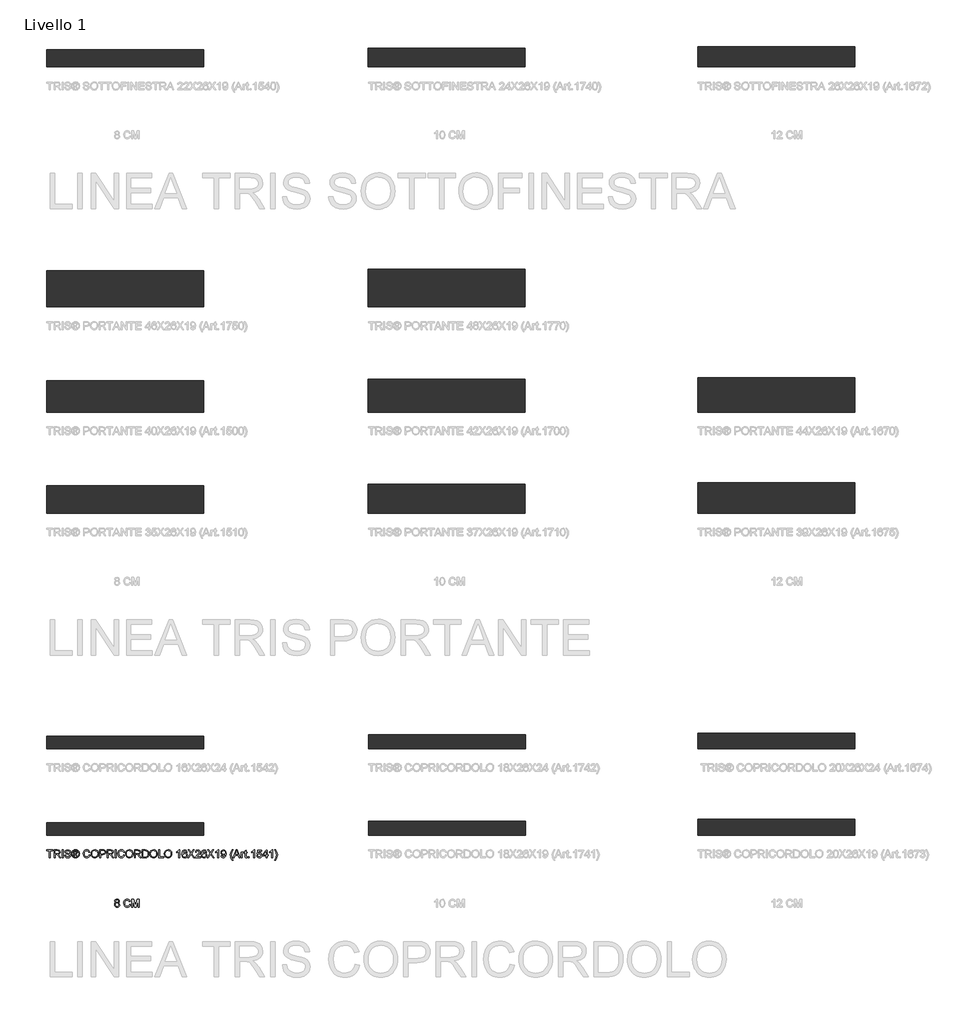
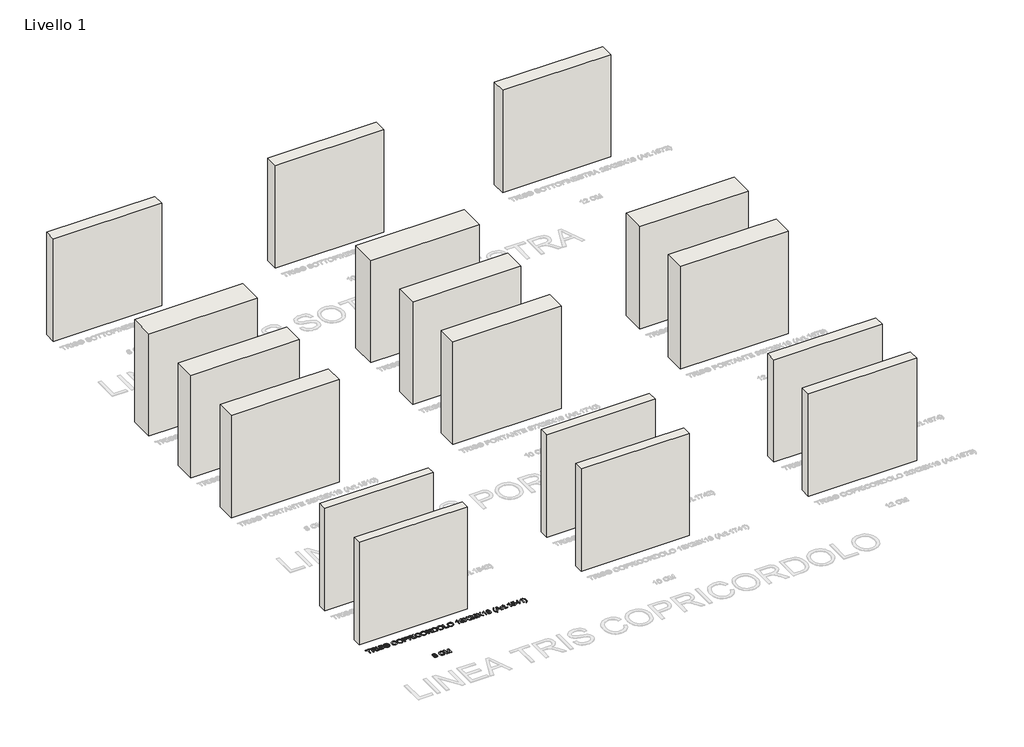
# One storey, part 1 of 19: 17 walls, 2 proxies.
"""IFC4 building model written with IfcOpenShell, lengths in millimetres."""

from ifc_helpers import new_model, si_unit, origin, origin_with_axes, place, context, project, spatial, polyline, outline, extrude, element, save

model = new_model("IFC4")

# Units and contexts
model_context = context("Model", 3, world=origin())
ifc_project = project(units=[si_unit("LENGTHUNIT", "METRE", prefix="MILLI")], contexts=[model_context])

# Site, building, storey
site = spatial("IfcSite", under=ifc_project)
building = spatial("IfcBuilding", under=site)
storey = spatial("IfcBuildingStorey", under=building, Name="Livello 1", Elevation=0.0)

# Proxies
placement = place(None, origin())
element("IfcBuildingElementProxy", 1, Name="100", ObjectType="100", at=placement, inside=storey, context=model_context, shape_type="SweptSolid", body=[
    extrude(outline(polyline([(-4352.3719199, -4728.6054125), (-4363.8130499, -4720.8063142), (-4367.5286581, -4708.6662084), (-4365.5053071, -4698.8498905), (-4359.4352542, -4690.7380925), (-4349.999081, -4685.293439), (-4337.8773693, -4683.4785545), (-4325.6820811, -4685.3363585), (-4316.1232806, -4690.9097708), (-4309.9428631, -4699.1503275), (-4307.8827239, -4709.0095649), (-4311.5492811, -4720.8431024), (-4322.6715801, -4728.6054125), (-4309.3174637, -4738.4523873), (-4304.7434642, -4754.7005087), (-4307.0120699, -4766.7057245), (-4313.8178868, -4776.6262756), (-4324.3270491, -4783.2849398), (-4337.705691, -4785.5044945), (-4351.0843329, -4783.2757427), (-4361.5934952, -4776.5894874), (-4368.3993121, -4766.5739001), (-4370.6679178, -4754.3571522), (-4365.9099773, -4737.728886), (-4352.3719199, -4728.6054125)]), holes=[polyline([(-4358.110879, -4753.9156938), (-4356.0139516, -4763.3702611), (-4348.5949981, -4770.4458581), (-4337.6075891, -4772.9474557), (-4329.0604641, -4771.6322776), (-4322.6470547, -4767.6867432), (-4317.300503, -4754.3081013), (-4322.8187329, -4740.671942), (-4329.3792952, -4736.62524), (-4338.0245221, -4735.2763394), (-4346.4520854, -4736.6068459), (-4352.8011155, -4740.5983656), (-4358.110879, -4753.9156938)]), polyline([(-4354.9716193, -4709.0340904), (-4350.5202472, -4718.8933279), (-4337.5585382, -4722.7193006), (-4324.8543466, -4718.9178533), (-4320.4397627, -4709.5981761), (-4325.0014994, -4699.9474051), (-4337.705691, -4696.0355932), (-4350.4466708, -4699.861566), (-4354.9716193, -4709.0340904)])]), origin_with_axes(), (0.0, 0.0, 1.0), 5.0),
    extrude(outline(polyline([(-4179.1730765, -4748.2257856), (-4166.6160378, -4751.4631472), (-4172.4101792, -4766.0956535), (-4181.5029958, -4776.7856912), (-4193.446898, -4783.3247936), (-4207.7942958, -4785.5044945), (-4222.3593571, -4783.8551568), (-4233.9261802, -4778.907144), (-4242.7921362, -4770.8321342), (-4249.2545966, -4759.8018057), (-4254.5153092, -4732.9464201), (-4253.0284528, -4718.2985853), (-4248.5678836, -4705.649576), (-4241.3665935, -4695.4009968), (-4231.6575745, -4687.9544521), (-4220.1428681, -4683.4203065), (-4207.5245156, -4681.9089246), (-4193.756532, -4683.8648306), (-4182.3736499, -4689.7325484), (-4173.7314887, -4699.1503275), (-4168.1856676, -4711.7564172), (-4180.7427064, -4714.7485241), (-4191.0434023, -4699.309743), (-4208.015025, -4694.4659634), (-4227.6599235, -4699.8370405), (-4238.757697, -4714.2580147), (-4241.9582704, -4732.9218946), (-4238.1690858, -4754.5533559), (-4226.3723365, -4768.3734562), (-4209.0450946, -4772.9474557), (-4198.5635234, -4771.3900886), (-4189.8293917, -4766.7179872), (-4183.2351069, -4758.9802026), (-4179.1730765, -4748.2257856)])), origin_with_axes(), (0.0, 0.0, 1.0), 5.0),
    extrude(outline(polyline([(-4149.3501095, -4783.9348646), (-4149.3501095, -4683.4785545), (-4127.7431736, -4683.4785545), (-4107.1908328, -4754.2835758), (-4103.046029, -4769.072432), (-4098.5578687, -4753.0573025), (-4078.3488844, -4683.4785545), (-4056.7419485, -4683.4785545), (-4056.7419485, -4783.9348646), (-4069.2989873, -4783.9348646), (-4069.2989873, -4696.0355932), (-4094.5356922, -4783.9348646), (-4111.5563658, -4783.9348646), (-4136.7930707, -4696.0355932), (-4136.7930707, -4783.9348646), (-4149.3501095, -4783.9348646)])), origin_with_axes(), (0.0, 0.0, 1.0), 5.0),
])
element("IfcBuildingElementProxy", 2, Name="100", ObjectType="100", at=placement, inside=storey, context=model_context, shape_type="SweptSolid", body=[
    extrude(outline(polyline([(-5200.6104208, -4156.1057849), (-5200.6104208, -4068.2065135), (-5233.5726476, -4068.2065135), (-5233.5726476, -4055.6494748), (-5155.0911553, -4055.6494748), (-5155.0911553, -4068.2065135), (-5188.053382, -4068.2065135), (-5188.053382, -4156.1057849), (-5200.6104208, -4156.1057849)])), origin_with_axes(), (0.0, 0.0, 1.0), 5.0),
    extrude(outline(polyline([(-5140.9644866, -4156.1057849), (-5140.9644866, -4055.6494748), (-5097.6770385, -4055.6494748), (-5077.5784189, -4058.3595388), (-5066.59101, -4067.9489961), (-5062.4829943, -4083.1425225), (-5064.1844486, -4093.0385482), (-5069.2888112, -4101.2423167), (-5077.9493666, -4107.2571873), (-5090.3193986, -4110.5865194), (-5083.1824879, -4115.9575965), (-5073.0044194, -4128.8825173), (-5056.2535259, -4156.1057849), (-5070.8461784, -4156.1057849), (-5083.9182519, -4135.283664), (-5093.3605565, -4121.5003519), (-5099.9946951, -4114.9888406), (-5105.9666462, -4112.5976076), (-5113.2507097, -4112.1561492), (-5128.4074479, -4112.1561492), (-5128.4074479, -4156.1057849), (-5140.9644866, -4156.1057849)]), holes=[polyline([(-5128.4074479, -4099.5991105), (-5100.3012634, -4099.5991105), (-5085.9661284, -4097.8210142), (-5077.8236735, -4092.131106), (-5075.0400331, -4083.6085064), (-5080.3497966, -4072.5475211), (-5097.1374783, -4068.2065135), (-5128.4074479, -4068.2065135), (-5128.4074479, -4099.5991105)])]), origin_with_axes(), (0.0, 0.0, 1.0), 5.0),
    extrude(outline(polyline([(-5038.9385466, -4156.1057849), (-5038.9385466, -4055.6494748), (-5026.3815079, -4055.6494748), (-5026.3815079, -4156.1057849), (-5038.9385466, -4156.1057849)])), origin_with_axes(), (0.0, 0.0, 1.0), 5.0),
    extrude(outline(polyline([(-5005.9763199, -4121.5739283), (-4993.4192811, -4121.5739283), (-4989.3725792, -4134.1432298), (-4979.4888162, -4142.0894809), (-4964.4301799, -4145.118376), (-4951.3090554, -4142.8252449), (-4942.8355068, -4136.5222), (-4940.0518663, -4128.0977024), (-4942.136531, -4120.2618159), (-4950.6713933, -4114.5596449), (-4968.9551284, -4109.7649163), (-4988.6368152, -4103.572236), (-4999.3176558, -4094.2280333), (-5002.8370602, -4081.744571), (-4998.4837899, -4067.5320632), (-4985.7673356, -4057.5011475), (-4967.1525067, -4054.0798449), (-4947.2868789, -4057.660563), (-4934.0431271, -4068.1819881), (-4929.0644574, -4083.902812), (-4941.6214962, -4083.902812), (-4943.92689, -4076.410282), (-4948.7338814, -4071.0024167), (-4966.6619973, -4066.6368837), (-4984.6391642, -4070.9533658), (-4990.2800214, -4081.376689), (-4986.2823704, -4090.0832295), (-4965.7790805, -4097.0975129), (-4943.559008, -4103.4005578), (-4931.4066395, -4113.5786263), (-4927.4948276, -4127.7788713), (-4931.9952506, -4142.8007194), (-4944.9446969, -4153.7636029), (-4963.9396706, -4157.6754148), (-4986.3682095, -4153.4570346), (-5000.5561918, -4140.752843), (-5005.9763199, -4121.5739283)])), origin_with_axes(), (0.0, 0.0, 1.0), 5.0),
    extrude(outline(polyline([(-4891.3933411, -4137.2702268), (-4891.3933411, -4074.4850329), (-4871.1107804, -4074.4850329), (-4856.0521441, -4076.2140783), (-4848.6331905, -4082.247343), (-4845.8740756, -4091.4076047), (-4850.632016, -4103.3269814), (-4863.2381058, -4109.0168895), (-4858.3330125, -4112.352353), (-4849.7736247, -4124.8848663), (-4842.7348159, -4137.2702268), (-4853.3298173, -4137.2702268), (-4858.8480473, -4127.3128874), (-4868.0941481, -4112.8919132), (-4876.1139756, -4110.5865194), (-4881.975562, -4110.5865194), (-4881.975562, -4137.2702268), (-4891.3933411, -4137.2702268)]), holes=[polyline([(-4881.975562, -4101.1687403), (-4870.0561854, -4101.1687403), (-4858.4065889, -4098.7775073), (-4855.2918547, -4092.4376743), (-4856.7879081, -4087.8759376), (-4860.9449746, -4084.8838307), (-4870.8164749, -4083.902812), (-4881.975562, -4083.902812), (-4881.975562, -4101.1687403)])]), origin_with_axes(), (0.0, 0.0, 1.0), 5.0),
    extrude(outline(polyline([(-4867.824368, -4054.0798449), (-4854.930104, -4055.753708), (-4842.3424084, -4060.7752972), (-4831.2844888, -4068.9116207), (-4822.9795527, -4079.9296865), (-4817.7832196, -4092.6522721), (-4816.0511085, -4105.9021553), (-4817.7586941, -4119.0355425), (-4822.8814509, -4131.653895), (-4831.0852194, -4142.6321069), (-4842.0358401, -4150.8450724), (-4854.6449955, -4155.9678292), (-4867.824368, -4157.6754148), (-4880.9853463, -4155.9678292), (-4893.5883704, -4150.8450724), (-4904.5481881, -4142.6321069), (-4912.7795478, -4131.653895), (-4917.9298957, -4119.0355425), (-4919.6466783, -4105.9021553), (-4917.9053702, -4092.6522721), (-4912.6814459, -4079.9296865), (-4904.3489187, -4068.9116207), (-4893.281802, -4060.7752972), (-4880.7002378, -4055.753708), (-4867.824368, -4054.0798449)]), holes=[polyline([(-4867.824368, -4063.497624), (-4888.6464889, -4068.9790657), (-4897.6749262, -4075.6407955), (-4904.5022029, -4084.6631015), (-4910.2288993, -4105.9021553), (-4904.6125675, -4126.9572682), (-4888.8917435, -4142.6413039), (-4867.824368, -4148.2576357), (-4846.7447296, -4142.6413039), (-4831.0606939, -4126.9572682), (-4825.4688876, -4105.9021553), (-4831.1587958, -4084.6631015), (-4837.9676784, -4075.6407955), (-4847.0145098, -4068.9790657), (-4867.824368, -4063.497624)])]), origin_with_axes(), (0.0, 0.0, 1.0), 5.0),
    extrude(outline(polyline([(-4695.1896104, -4120.3967059), (-4682.6325716, -4123.6340675), (-4688.426713, -4138.2665738), (-4697.5195297, -4148.9566115), (-4709.4634318, -4155.495714), (-4723.8108296, -4157.6754148), (-4738.3758909, -4156.0260772), (-4749.942714, -4151.0780643), (-4758.8086701, -4143.0030545), (-4765.2711304, -4131.972726), (-4770.531843, -4105.1173404), (-4769.0449866, -4090.4695056), (-4764.5844174, -4077.8204964), (-4757.3831273, -4067.5719171), (-4747.6741083, -4060.1253724), (-4736.1594019, -4055.5912268), (-4723.5410494, -4054.0798449), (-4709.7730658, -4056.0357509), (-4698.3901837, -4061.9034687), (-4689.7480225, -4071.3212478), (-4684.2022014, -4083.9273375), (-4696.7592402, -4086.9194444), (-4707.0599361, -4071.4806633), (-4724.0315588, -4066.6368837), (-4743.6764573, -4072.0079608), (-4754.7742308, -4086.428935), (-4757.9748042, -4105.0928149), (-4754.1856196, -4126.7242762), (-4742.3888703, -4140.5443765), (-4725.0616284, -4145.118376), (-4714.5800572, -4143.5610089), (-4705.8459255, -4138.8889076), (-4699.2516407, -4131.1511229), (-4695.1896104, -4120.3967059)])), origin_with_axes(), (0.0, 0.0, 1.0), 5.0),
    extrude(outline(polyline([(-4670.0755328, -4107.202005), (-4666.7278067, -4084.9880639), (-4656.6846282, -4068.1819881), (-4641.3500804, -4057.6053807), (-4622.1282461, -4054.0798449), (-4608.9519393, -4055.7353139), (-4597.1367959, -4060.7017208), (-4587.3266094, -4068.6295778), (-4580.1651732, -4079.169397), (-4575.7873775, -4091.8122749), (-4574.3281122, -4106.0493081), (-4575.8640195, -4120.4764137), (-4580.4717415, -4133.2971012), (-4587.8968265, -4143.8553145), (-4597.8848226, -4151.4949973), (-4609.5987985, -4156.1303104), (-4622.2018225, -4157.6754148), (-4635.5804644, -4155.9678292), (-4647.4630528, -4150.8450724), (-4657.2487139, -4142.7700626), (-4664.3365737, -4132.205718), (-4670.0755328, -4107.202005)]), holes=[polyline([(-4657.518494, -4107.3246324), (-4655.0076994, -4123.0393249), (-4647.4753156, -4135.0138839), (-4636.1537472, -4142.592253), (-4622.2753989, -4145.118376), (-4608.1947155, -4142.5677275), (-4596.854753, -4134.915782), (-4589.3775515, -4122.5733411), (-4586.885151, -4105.9512062), (-4591.1525821, -4085.2271872), (-4603.6237818, -4071.5051888), (-4622.0546697, -4066.6368837), (-4635.5620703, -4068.9821314), (-4647.0461199, -4076.0178746), (-4654.9004005, -4088.5350595), (-4657.518494, -4107.3246324)])]), origin_with_axes(), (0.0, 0.0, 1.0), 5.0),
    extrude(outline(polyline([(-4557.0621839, -4156.1057849), (-4557.0621839, -4055.6494748), (-4519.832526, -4055.6494748), (-4504.8229406, -4056.605968), (-4492.6215211, -4061.3025948), (-4484.7120582, -4071.0146794), (-4481.7199513, -4084.7121524), (-4483.7402366, -4096.5518213), (-4489.8010924, -4106.4171901), (-4501.1349236, -4113.0758542), (-4518.9741347, -4115.2954089), (-4544.5051451, -4115.2954089), (-4544.5051451, -4156.1057849), (-4557.0621839, -4156.1057849)]), holes=[polyline([(-4544.5051451, -4102.7383702), (-4518.2383707, -4102.7383702), (-4499.7461691, -4098.1275825), (-4495.6442848, -4092.5786957), (-4494.2769901, -4085.1536108), (-4497.5020889, -4074.7548131), (-4505.9756375, -4069.0649049), (-4518.5326763, -4068.2065135), (-4544.5051451, -4068.2065135), (-4544.5051451, -4102.7383702)])]), origin_with_axes(), (0.0, 0.0, 1.0), 5.0),
    extrude(outline(polyline([(-4464.454023, -4156.1057849), (-4464.454023, -4055.6494748), (-4421.1665749, -4055.6494748), (-4401.0679552, -4058.3595388), (-4390.0805463, -4067.9489961), (-4385.9725307, -4083.1425225), (-4387.6739849, -4093.0385482), (-4392.7783476, -4101.2423167), (-4401.4389029, -4107.2571873), (-4413.808935, -4110.5865194), (-4406.6720243, -4115.9575965), (-4396.4939557, -4128.8825173), (-4379.7430622, -4156.1057849), (-4394.3357147, -4156.1057849), (-4407.4077883, -4135.283664), (-4416.8500928, -4121.5003519), (-4423.4842314, -4114.9888406), (-4429.4561825, -4112.5976076), (-4436.740246, -4112.1561492), (-4451.8969842, -4112.1561492), (-4451.8969842, -4156.1057849), (-4464.454023, -4156.1057849)]), holes=[polyline([(-4451.8969842, -4099.5991105), (-4423.7907998, -4099.5991105), (-4409.4556647, -4097.8210142), (-4401.3132099, -4092.131106), (-4398.5295694, -4083.6085064), (-4403.8393329, -4072.5475211), (-4420.6270146, -4068.2065135), (-4451.8969842, -4068.2065135), (-4451.8969842, -4099.5991105)])]), origin_with_axes(), (0.0, 0.0, 1.0), 5.0),
    extrude(outline(polyline([(-4362.428083, -4156.1057849), (-4362.428083, -4055.6494748), (-4349.8710442, -4055.6494748), (-4349.8710442, -4156.1057849), (-4362.428083, -4156.1057849)])), origin_with_axes(), (0.0, 0.0, 1.0), 5.0),
    extrude(outline(polyline([(-4254.1236236, -4120.3967059), (-4241.5665848, -4123.6340675), (-4247.3607263, -4138.2665738), (-4256.4535429, -4148.9566115), (-4268.397445, -4155.495714), (-4282.7448428, -4157.6754148), (-4297.3099042, -4156.0260772), (-4308.8767272, -4151.0780643), (-4317.7426833, -4143.0030545), (-4324.2051437, -4131.972726), (-4329.4658562, -4105.1173404), (-4327.9789998, -4090.4695056), (-4323.5184306, -4077.8204964), (-4316.3171406, -4067.5719171), (-4306.6081216, -4060.1253724), (-4295.0934151, -4055.5912268), (-4282.4750627, -4054.0798449), (-4268.707079, -4056.0357509), (-4257.324197, -4061.9034687), (-4248.6820358, -4071.3212478), (-4243.1362147, -4083.9273375), (-4255.6932534, -4086.9194444), (-4265.9939493, -4071.4806633), (-4282.965572, -4066.6368837), (-4302.6104706, -4072.0079608), (-4313.7082441, -4086.428935), (-4316.9088174, -4105.0928149), (-4313.1196329, -4126.7242762), (-4301.3228836, -4140.5443765), (-4283.9956416, -4145.118376), (-4273.5140704, -4143.5610089), (-4264.7799387, -4138.8889076), (-4258.185654, -4131.1511229), (-4254.1236236, -4120.3967059)])), origin_with_axes(), (0.0, 0.0, 1.0), 5.0),
    extrude(outline(polyline([(-4229.0095461, -4107.202005), (-4225.6618199, -4084.9880639), (-4215.6186414, -4068.1819881), (-4200.2840936, -4057.6053807), (-4181.0622594, -4054.0798449), (-4167.8859526, -4055.7353139), (-4156.0708092, -4060.7017208), (-4146.2606226, -4068.6295778), (-4139.0991864, -4079.169397), (-4134.7213907, -4091.8122749), (-4133.2621255, -4106.0493081), (-4134.7980328, -4120.4764137), (-4139.4057548, -4133.2971012), (-4146.8308397, -4143.8553145), (-4156.8188359, -4151.4949973), (-4168.5328117, -4156.1303104), (-4181.1358358, -4157.6754148), (-4194.5144777, -4155.9678292), (-4206.3970661, -4150.8450724), (-4216.1827272, -4142.7700626), (-4223.2705869, -4132.205718), (-4229.0095461, -4107.202005)]), holes=[polyline([(-4216.4525073, -4107.3246324), (-4213.9417127, -4123.0393249), (-4206.4093288, -4135.0138839), (-4195.0877604, -4142.592253), (-4181.2094122, -4145.118376), (-4167.1287288, -4142.5677275), (-4155.7887663, -4134.915782), (-4148.3115647, -4122.5733411), (-4145.8191642, -4105.9512062), (-4150.0865954, -4085.2271872), (-4162.557795, -4071.5051888), (-4180.988683, -4066.6368837), (-4194.4960836, -4068.9821314), (-4205.9801332, -4076.0178746), (-4213.8344138, -4088.5350595), (-4216.4525073, -4107.3246324)])]), origin_with_axes(), (0.0, 0.0, 1.0), 5.0),
    extrude(outline(polyline([(-4115.9961971, -4156.1057849), (-4115.9961971, -4055.6494748), (-4072.708749, -4055.6494748), (-4052.6101294, -4058.3595388), (-4041.6227205, -4067.9489961), (-4037.5147048, -4083.1425225), (-4039.2161591, -4093.0385482), (-4044.3205218, -4101.2423167), (-4052.9810771, -4107.2571873), (-4065.3511091, -4110.5865194), (-4058.2141984, -4115.9575965), (-4048.0361299, -4128.8825173), (-4031.2852364, -4156.1057849), (-4045.8778889, -4156.1057849), (-4058.9499624, -4135.283664), (-4068.392267, -4121.5003519), (-4075.0264056, -4114.9888406), (-4080.9983567, -4112.5976076), (-4088.2824202, -4112.1561492), (-4103.4391584, -4112.1561492), (-4103.4391584, -4156.1057849), (-4115.9961971, -4156.1057849)]), holes=[polyline([(-4103.4391584, -4099.5991105), (-4075.3329739, -4099.5991105), (-4060.9978389, -4097.8210142), (-4052.855384, -4092.131106), (-4050.0717436, -4083.6085064), (-4055.3815071, -4072.5475211), (-4072.1691888, -4068.2065135), (-4103.4391584, -4068.2065135), (-4103.4391584, -4099.5991105)])]), origin_with_axes(), (0.0, 0.0, 1.0), 5.0),
    extrude(outline(polyline([(-4015.539887, -4156.1057849), (-4015.539887, -4055.6494748), (-3980.8854031, -4055.6494748), (-3962.9572872, -4057.0964773), (-3948.1929564, -4064.2824389), (-3936.2981052, -4081.4502654), (-3932.3495052, -4105.3380696), (-3935.022781, -4125.6083675), (-3941.8899116, -4140.2378082), (-3951.062436, -4149.3490189), (-3963.0676518, -4154.3890023), (-3979.2176713, -4156.1057849), (-4015.539887, -4156.1057849)]), holes=[polyline([(-4002.9828482, -4143.5487462), (-3980.7627757, -4143.5487462), (-3964.6004934, -4141.7338616), (-3955.2808162, -4136.6080392), (-3947.6411334, -4124.1368395), (-3944.9065439, -4105.1418659), (-3946.2462475, -4091.4566556), (-3950.2653583, -4081.3521635), (-3963.3006437, -4070.2176018), (-3981.1061322, -4068.2065135), (-4002.9828482, -4068.2065135), (-4002.9828482, -4143.5487462)])]), origin_with_axes(), (0.0, 0.0, 1.0), 5.0),
    extrude(outline(polyline([(-3919.7924664, -4107.202005), (-3916.4447402, -4084.9880639), (-3906.4015618, -4068.1819881), (-3891.0670139, -4057.6053807), (-3871.8451797, -4054.0798449), (-3858.6688729, -4055.7353139), (-3846.8537295, -4060.7017208), (-3837.0435429, -4068.6295778), (-3829.8821068, -4079.169397), (-3825.504311, -4091.8122749), (-3824.0450458, -4106.0493081), (-3825.5809531, -4120.4764137), (-3830.1886751, -4133.2971012), (-3837.61376, -4143.8553145), (-3847.6017562, -4151.4949973), (-3859.3157321, -4156.1303104), (-3871.9187561, -4157.6754148), (-3885.297398, -4155.9678292), (-3897.1799864, -4150.8450724), (-3906.9656475, -4142.7700626), (-3914.0535073, -4132.205718), (-3919.7924664, -4107.202005)]), holes=[polyline([(-3907.2354276, -4107.3246324), (-3904.724633, -4123.0393249), (-3897.1922491, -4135.0138839), (-3885.8706807, -4142.592253), (-3871.9923325, -4145.118376), (-3857.9116491, -4142.5677275), (-3846.5716866, -4134.915782), (-3839.0944851, -4122.5733411), (-3836.6020845, -4105.9512062), (-3840.8695157, -4085.2271872), (-3853.3407153, -4071.5051888), (-3871.7716033, -4066.6368837), (-3885.2790039, -4068.9821314), (-3896.7630535, -4076.0178746), (-3904.6173341, -4088.5350595), (-3907.2354276, -4107.3246324)])]), origin_with_axes(), (0.0, 0.0, 1.0), 5.0),
    extrude(outline(polyline([(-3806.7791175, -4156.1057849), (-3806.7791175, -4055.6494748), (-3794.2220787, -4055.6494748), (-3794.2220787, -4143.5487462), (-3743.9939236, -4143.5487462), (-3743.9939236, -4156.1057849), (-3806.7791175, -4156.1057849)])), origin_with_axes(), (0.0, 0.0, 1.0), 5.0),
    extrude(outline(polyline([(-3734.5761445, -4107.202005), (-3731.2284184, -4084.9880639), (-3721.1852399, -4068.1819881), (-3705.8506921, -4057.6053807), (-3686.6288578, -4054.0798449), (-3673.4525511, -4055.7353139), (-3661.6374076, -4060.7017208), (-3651.8272211, -4068.6295778), (-3644.6657849, -4079.169397), (-3640.2879892, -4091.8122749), (-3638.8287239, -4106.0493081), (-3640.3646313, -4120.4764137), (-3644.9723533, -4133.2971012), (-3652.3974382, -4143.8553145), (-3662.3854344, -4151.4949973), (-3674.0994102, -4156.1303104), (-3686.7024342, -4157.6754148), (-3700.0810761, -4155.9678292), (-3711.9636646, -4150.8450724), (-3721.7493257, -4142.7700626), (-3728.8371854, -4132.205718), (-3734.5761445, -4107.202005)]), holes=[polyline([(-3722.0191058, -4107.3246324), (-3719.5083112, -4123.0393249), (-3711.9759273, -4135.0138839), (-3700.6543589, -4142.592253), (-3686.7760106, -4145.118376), (-3672.6953273, -4142.5677275), (-3661.3553648, -4134.915782), (-3653.8781632, -4122.5733411), (-3651.3857627, -4105.9512062), (-3655.6531939, -4085.2271872), (-3668.1243935, -4071.5051888), (-3686.5552814, -4066.6368837), (-3700.062682, -4068.9821314), (-3711.5467317, -4076.0178746), (-3719.4010122, -4088.5350595), (-3722.0191058, -4107.3246324)])]), origin_with_axes(), (0.0, 0.0, 1.0), 5.0),
    extrude(outline(polyline([(-3539.9420436, -4156.1057849), (-3552.4990824, -4156.1057849), (-3552.4990824, -4077.8204964), (-3564.3939336, -4086.294045), (-3577.6131599, -4092.633878), (-3577.6131599, -4080.7635523), (-3559.2067974, -4069.0158539), (-3548.0354475, -4055.6494748), (-3539.9420436, -4055.6494748), (-3539.9420436, -4156.1057849)])), origin_with_axes(), (0.0, 0.0, 1.0), 5.0),
    extrude(outline(polyline([(-3445.7642529, -4082.3331822), (-3458.3212916, -4083.902812), (-3463.0792321, -4073.4304379), (-3475.6607963, -4068.2065135), (-3486.9915618, -4071.2476714), (-3495.5632123, -4082.664276), (-3499.1316676, -4105.043764), (-3488.0584196, -4095.025111), (-3474.3364212, -4091.7509612), (-3462.7358756, -4093.98891), (-3452.9992654, -4100.7027565), (-3446.3957836, -4110.9605328), (-3444.194623, -4123.8302712), (-3448.3394268, -4141.1575132), (-3459.7437687, -4153.4202464), (-3476.2003566, -4157.6754148), (-3490.4465869, -4154.8549861), (-3501.7926807, -4146.3937003), (-3509.2147, -4131.4576912), (-3511.6887064, -4109.2130933), (-3508.9418542, -4084.203249), (-3500.7012975, -4067.1028676), (-3489.4502398, -4058.512823), (-3474.8759814, -4055.6494748), (-3463.8579157, -4057.4214397), (-3455.0348791, -4062.7373345), (-3448.8544616, -4071.1802263), (-3445.7642529, -4082.3331822)]), holes=[polyline([(-3499.1316676, -4123.6340675), (-3496.2253999, -4134.5111118), (-3488.499878, -4142.408312), (-3477.1813753, -4145.118376), (-3468.8948333, -4143.7142931), (-3462.3802563, -4139.5020442), (-3458.1588104, -4132.8801683), (-3456.7516618, -4124.2472041), (-3458.1404163, -4115.9606622), (-3462.3066799, -4109.6422889), (-3468.9316215, -4105.6415722), (-3477.69641, -4104.308), (-3492.8899365, -4109.6422889), (-3497.5712348, -4115.807378), (-3499.1316676, -4123.6340675)])]), origin_with_axes(), (0.0, 0.0, 1.0), 5.0),
    extrude(outline(polyline([(-3439.4857335, -4156.1057849), (-3400.7600221, -4101.364944), (-3433.2072141, -4055.6494748), (-3418.1485778, -4055.6494748), (-3399.8771053, -4081.376689), (-3393.7212133, -4091.4076047), (-3386.5107262, -4081.2050107), (-3368.4354575, -4055.6494748), (-3353.1560919, -4055.6494748), (-3385.6032839, -4101.5120968), (-3346.8775726, -4156.1057849), (-3361.9362089, -4156.1057849), (-3387.7369995, -4119.7099929), (-3393.1080766, -4112.1561492), (-3399.018714, -4120.4457569), (-3424.206368, -4156.1057849), (-3439.4857335, -4156.1057849)])), origin_with_axes(), (0.0, 0.0, 1.0), 5.0),
    extrude(outline(polyline([(-3274.6745996, -4143.5487462), (-3274.6745996, -4156.1057849), (-3340.5990532, -4156.1057849), (-3339.2501525, -4147.4482953), (-3331.6227325, -4134.1187043), (-3315.9019086, -4119.5628401), (-3294.2213963, -4098.6426173), (-3288.8012683, -4084.4178468), (-3293.914828, -4072.9031403), (-3307.2689444, -4068.2065135), (-3321.1871466, -4072.7927758), (-3326.4723846, -4085.4724419), (-3339.0294233, -4083.902812), (-3335.9851998, -4071.7565748), (-3329.4031778, -4062.8844873), (-3319.6267138, -4057.4582279), (-3306.9991643, -4055.6494748), (-3294.2796443, -4057.660563), (-3284.5215744, -4063.6938277), (-3278.3135657, -4072.7069366), (-3276.2442295, -4083.6575573), (-3278.4760469, -4095.5646713), (-3285.8950005, -4107.8764554), (-3303.8844301, -4125.08107), (-3318.3299297, -4137.1598622), (-3323.9953125, -4143.5487462), (-3274.6745996, -4143.5487462)])), origin_with_axes(), (0.0, 0.0, 1.0), 5.0),
    extrude(outline(polyline([(-3197.7627372, -4082.3331822), (-3210.319776, -4083.902812), (-3215.0777164, -4073.4304379), (-3227.6592807, -4068.2065135), (-3238.9900461, -4071.2476714), (-3247.5616966, -4082.664276), (-3251.130152, -4105.043764), (-3240.0569039, -4095.025111), (-3226.3349055, -4091.7509612), (-3214.7343599, -4093.98891), (-3204.9977498, -4100.7027565), (-3198.3942679, -4110.9605328), (-3196.1931073, -4123.8302712), (-3200.3379112, -4141.1575132), (-3211.742253, -4153.4202464), (-3228.1988409, -4157.6754148), (-3242.4450712, -4154.8549861), (-3253.7911651, -4146.3937003), (-3261.2131843, -4131.4576912), (-3263.6871907, -4109.2130933), (-3260.9403385, -4084.203249), (-3252.6997818, -4067.1028676), (-3241.4487241, -4058.512823), (-3226.8744657, -4055.6494748), (-3215.8564, -4057.4214397), (-3207.0333635, -4062.7373345), (-3200.8529459, -4071.1802263), (-3197.7627372, -4082.3331822)]), holes=[polyline([(-3251.130152, -4123.6340675), (-3248.2238842, -4134.5111118), (-3240.4983623, -4142.408312), (-3229.1798596, -4145.118376), (-3220.8933176, -4143.7142931), (-3214.3787406, -4139.5020442), (-3210.1572947, -4132.8801683), (-3208.7501461, -4124.2472041), (-3210.1389006, -4115.9606622), (-3214.3051642, -4109.6422889), (-3220.9301058, -4105.6415722), (-3229.6948944, -4104.308), (-3244.8884208, -4109.6422889), (-3249.5697192, -4115.807378), (-3251.130152, -4123.6340675)])]), origin_with_axes(), (0.0, 0.0, 1.0), 5.0),
    extrude(outline(polyline([(-3191.4842178, -4156.1057849), (-3152.7585064, -4101.364944), (-3185.2056984, -4055.6494748), (-3170.1470621, -4055.6494748), (-3151.8755897, -4081.376689), (-3145.7196976, -4091.4076047), (-3138.5092105, -4081.2050107), (-3120.4339418, -4055.6494748), (-3105.1545763, -4055.6494748), (-3137.6017682, -4101.5120968), (-3098.8760569, -4156.1057849), (-3113.9346932, -4156.1057849), (-3139.7354838, -4119.7099929), (-3145.1065609, -4112.1561492), (-3151.0171983, -4120.4457569), (-3176.2048523, -4156.1057849), (-3191.4842178, -4156.1057849)])), origin_with_axes(), (0.0, 0.0, 1.0), 5.0),
    extrude(outline(polyline([(-3043.9390123, -4156.1057849), (-3056.496051, -4156.1057849), (-3056.496051, -4077.8204964), (-3068.3909022, -4086.294045), (-3081.6101286, -4092.633878), (-3081.6101286, -4080.7635523), (-3063.2037661, -4069.0158539), (-3052.0324162, -4055.6494748), (-3043.9390123, -4055.6494748), (-3043.9390123, -4156.1057849)])), origin_with_axes(), (0.0, 0.0, 1.0), 5.0),
    extrude(outline(polyline([(-3012.5464153, -4130.9917074), (-2999.9893766, -4129.4220775), (-2994.3485193, -4141.4027679), (-2983.655416, -4145.118376), (-2973.4896102, -4142.727143), (-2966.5979542, -4136.3382591), (-2962.4899385, -4125.4244265), (-2960.675054, -4110.8562995), (-2960.7486304, -4108.4037529), (-2970.7918089, -4117.9196338), (-2984.5628582, -4121.5739283), (-2996.0131853, -4119.3421109), (-3005.5443947, -4112.6466586), (-3011.9731326, -4102.3030431), (-3014.1160452, -4089.1267363), (-3011.8688993, -4075.5151025), (-3005.1274618, -4064.8465247), (-2995.0015099, -4057.9487372), (-2982.6008209, -4055.6494748), (-2964.7094932, -4060.8979246), (-2952.3977091, -4075.858459), (-2948.1915917, -4103.9646435), (-2952.3854464, -4134.4620609), (-2957.6001737, -4144.4531227), (-2964.856646, -4151.7402519), (-2973.8421638, -4156.1916241), (-2984.2440272, -4157.6754148), (-2994.9800501, -4155.9249096), (-3003.5455692, -4150.6733941), (-3009.5359144, -4142.2519621), (-3012.5464153, -4130.9917074)]), holes=[polyline([(-2960.7486304, -4088.8324307), (-2962.1036624, -4080.3220939), (-2966.1687585, -4073.7737944), (-2972.4779347, -4069.5983338), (-2980.5652072, -4068.2065135), (-2988.9529167, -4069.7056327), (-2995.6728945, -4074.2029901), (-3000.0874784, -4081.0854491), (-3001.5590064, -4089.739873), (-3000.1671862, -4097.4991174), (-2995.9917256, -4103.6580751), (-2989.4372947, -4107.6771859), (-2980.9085638, -4109.0168895), (-2966.4262759, -4103.6580751), (-2962.1680418, -4097.2722568), (-2960.7486304, -4088.8324307)])]), origin_with_axes(), (0.0, 0.0, 1.0), 5.0),
    extrude(outline(polyline([(-2869.7100994, -4184.3591222), (-2887.5401134, -4154.9040371), (-2893.003161, -4137.7239479), (-2894.8241769, -4119.9307221), (-2889.3795234, -4089.3965165), (-2869.7100994, -4055.6494748), (-2860.2923203, -4055.6494748), (-2872.0400187, -4075.539628), (-2879.103353, -4094.8166445), (-2882.2671381, -4120.0042985), (-2876.7734337, -4152.193973), (-2860.2923203, -4184.3591222), (-2869.7100994, -4184.3591222)])), origin_with_axes(), (0.0, 0.0, 1.0), 5.0),
    extrude(outline(polyline([(-2857.8642991, -4156.1057849), (-2817.7651616, -4055.6494748), (-2807.0720583, -4055.6494748), (-2766.9729208, -4156.1057849), (-2780.2411981, -4156.1057849), (-2791.7436418, -4124.713188), (-2833.1181036, -4124.713188), (-2844.5960218, -4156.1057849), (-2857.8642991, -4156.1057849)]), holes=[polyline([(-2828.5073159, -4112.1561492), (-2796.329904, -4112.1561492), (-2805.3798011, -4087.4590046), (-2812.41861, -4068.2065135), (-2818.6726039, -4085.3007636), (-2828.5073159, -4112.1561492)])]), origin_with_axes(), (0.0, 0.0, 1.0), 5.0),
    extrude(outline(polyline([(-2755.1271206, -4156.1057849), (-2755.1271206, -4082.3331822), (-2744.1397117, -4082.3331822), (-2744.1397117, -4093.2470147), (-2736.3406134, -4083.1915735), (-2728.4924641, -4080.7635523), (-2715.8863744, -4084.638576), (-2720.0802292, -4095.895765), (-2728.9093971, -4093.3205911), (-2736.0095196, -4095.7976632), (-2740.5344681, -4102.6647938), (-2742.5700818, -4117.3310226), (-2742.5700818, -4156.1057849), (-2755.1271206, -4156.1057849)])), origin_with_axes(), (0.0, 0.0, 1.0), 5.0),
    extrude(outline(polyline([(-2681.3545178, -4145.6334108), (-2679.784888, -4156.4736669), (-2689.1781416, -4157.6754148), (-2699.6995666, -4155.5907501), (-2704.9480164, -4150.1215711), (-2706.4685954, -4135.8722752), (-2706.4685954, -4094.8902209), (-2715.8863744, -4094.8902209), (-2715.8863744, -4082.3331822), (-2706.4685954, -4082.3331822), (-2706.4685954, -4064.4050663), (-2693.9115566, -4057.0229009), (-2693.9115566, -4082.3331822), (-2681.3545178, -4082.3331822), (-2681.3545178, -4094.8902209), (-2693.9115566, -4094.8902209), (-2693.9115566, -4135.5043932), (-2693.249369, -4141.9791163), (-2691.1033907, -4144.2722474), (-2686.8236968, -4145.118376), (-2681.3545178, -4145.6334108)])), origin_with_axes(), (0.0, 0.0, 1.0), 5.0),
    extrude(outline(polyline([(-2665.6582194, -4156.1057849), (-2665.6582194, -4143.5487462), (-2653.1011806, -4143.5487462), (-2653.1011806, -4156.1057849), (-2665.6582194, -4156.1057849)])), origin_with_axes(), (0.0, 0.0, 1.0), 5.0),
    extrude(outline(polyline([(-2585.6070972, -4156.1057849), (-2598.164136, -4156.1057849), (-2598.164136, -4077.8204964), (-2610.0589872, -4086.294045), (-2623.2782135, -4092.633878), (-2623.2782135, -4080.7635523), (-2604.871851, -4069.0158539), (-2593.7005011, -4055.6494748), (-2585.6070972, -4055.6494748), (-2585.6070972, -4156.1057849)])), origin_with_axes(), (0.0, 0.0, 1.0), 5.0),
    extrude(outline(polyline([(-2555.7841301, -4129.4220775), (-2543.2270914, -4127.8524477), (-2536.8995211, -4140.7896312), (-2523.7783966, -4145.118376), (-2514.7775504, -4143.6131255), (-2508.0330472, -4139.097374), (-2503.8207983, -4132.0922877), (-2502.4167154, -4123.1190327), (-2507.6774279, -4108.2075492), (-2514.2839754, -4104.1056649), (-2523.5821928, -4102.7383702), (-2534.6063899, -4104.9211367), (-2541.6574615, -4110.5865194), (-2554.2145003, -4109.0168895), (-2543.2270914, -4057.2191046), (-2494.5685661, -4057.2191046), (-2494.5685661, -4069.7761434), (-2533.0735483, -4069.7761434), (-2538.4446254, -4097.4408694), (-2529.4744361, -4091.9962159), (-2520.0750511, -4090.1813314), (-2508.3426812, -4092.4315429), (-2498.6030054, -4099.1821775), (-2492.0455088, -4109.4706107), (-2489.8596766, -4122.3342178), (-2491.8278453, -4134.8912565), (-2497.7323513, -4145.6334108), (-2509.0385913, -4154.6649138), (-2523.8274475, -4157.6754148), (-2536.1606914, -4155.7409686), (-2545.9862063, -4149.9376301), (-2552.7215125, -4140.9398497), (-2555.7841301, -4129.4220775)])), origin_with_axes(), (0.0, 0.0, 1.0), 5.0),
    extrude(outline(polyline([(-2438.0618917, -4156.1057849), (-2438.0618917, -4132.5613372), (-2483.5811572, -4132.5613372), (-2483.5811572, -4120.0042985), (-2434.922632, -4057.2191046), (-2425.5048529, -4057.2191046), (-2425.5048529, -4120.0042985), (-2412.9478141, -4120.0042985), (-2412.9478141, -4132.5613372), (-2425.5048529, -4132.5613372), (-2425.5048529, -4156.1057849), (-2438.0618917, -4156.1057849)]), holes=[polyline([(-2438.0618917, -4120.0042985), (-2438.0618917, -4081.2050107), (-2468.1301134, -4120.0042985), (-2438.0618917, -4120.0042985)])]), origin_with_axes(), (0.0, 0.0, 1.0), 5.0),
    extrude(outline(polyline([(-2354.8715098, -4156.1057849), (-2367.4285486, -4156.1057849), (-2367.4285486, -4077.8204964), (-2379.3233998, -4086.294045), (-2392.5426261, -4092.633878), (-2392.5426261, -4080.7635523), (-2374.1362637, -4069.0158539), (-2362.9649137, -4055.6494748), (-2354.8715098, -4055.6494748), (-2354.8715098, -4156.1057849)])), origin_with_axes(), (0.0, 0.0, 1.0), 5.0),
    extrude(outline(polyline([(-2318.7700234, -4184.3591222), (-2328.1878025, -4184.3591222), (-2311.7066891, -4152.193973), (-2306.2129846, -4120.0042985), (-2309.3767698, -4095.0373737), (-2316.3665277, -4075.7358317), (-2328.1878025, -4055.6494748), (-2318.7700234, -4055.6494748), (-2299.1005994, -4089.3965165), (-2293.6559458, -4119.9307221), (-2295.4861588, -4137.7239479), (-2300.9767975, -4154.9040371), (-2318.7700234, -4184.3591222)])), origin_with_axes(), (0.0, 0.0, 1.0), 5.0),
])

# Walls
element("IfcWall", 3, at=placement, inside=storey, context=model_context, shape_type="SweptSolid", body=[
    extrude(outline(polyline([(-3236.7119073, -3868.4244132), (-5236.7119073, -3868.4244132), (-5236.7119073, -3708.4244132), (-3236.7119073, -3708.4244132), (-3236.7119073, -3868.4244132)])), origin_with_axes(), (0.0, 0.0, 1.0), 2000.0),
])
element("IfcWall", 4, at=placement, inside=storey, context=model_context, shape_type="SweptSolid", body=[
    extrude(outline(polyline([(5063.2880927, -3868.4244132), (3063.2880927, -3868.4244132), (3063.2880927, -3668.4244132), (5063.2880927, -3668.4244132), (5063.2880927, -3868.4244132)])), origin_with_axes(), (0.0, 0.0, 1.0), 2000.0),
])
element("IfcWall", 5, at=placement, inside=storey, context=model_context, shape_type="SweptSolid", body=[
    extrude(outline(polyline([(-3236.7119073, -2768.4244132), (-5236.7119073, -2768.4244132), (-5236.7119073, -2608.4244132), (-3236.7119073, -2608.4244132), (-3236.7119073, -2768.4244132)])), origin_with_axes(), (0.0, 0.0, 1.0), 2000.0),
])
element("IfcWall", 6, at=placement, inside=storey, context=model_context, shape_type="SweptSolid", body=[
    extrude(outline(polyline([(865.4211219, -3868.4244132), (-1134.5788781, -3868.4244132), (-1134.5788781, -3688.4244132), (865.4211219, -3688.4244132), (865.4211219, -3868.4244132)])), origin_with_axes(), (0.0, 0.0, 1.0), 2000.0),
])
element("IfcWall", 7, at=placement, inside=storey, context=model_context, shape_type="SweptSolid", body=[
    extrude(outline(polyline([(865.4211219, -2768.4244132), (-1134.5788781, -2768.4244132), (-1134.5788781, -2588.4244132), (865.4211219, -2588.4244132), (865.4211219, -2768.4244132)])), origin_with_axes(), (0.0, 0.0, 1.0), 2000.0),
])
element("IfcWall", 8, at=placement, inside=storey, context=model_context, shape_type="SweptSolid", body=[
    extrude(outline(polyline([(5063.2880927, -2768.4244132), (3063.2880927, -2768.4244132), (3063.2880927, -2568.4244132), (5063.2880927, -2568.4244132), (5063.2880927, -2768.4244132)])), origin_with_axes(), (0.0, 0.0, 1.0), 2000.0),
])
element("IfcWall", 9, at=placement, inside=storey, context=model_context, shape_type="SweptSolid", body=[
    extrude(outline(polyline([(-3236.7119073, 231.5755868), (-5236.7119073, 231.5755868), (-5236.7119073, 581.5755868), (-3236.7119073, 581.5755868), (-3236.7119073, 231.5755868)])), origin_with_axes(), (0.0, 0.0, 1.0), 2000.0),
])
element("IfcWall", 10, at=placement, inside=storey, context=model_context, shape_type="SweptSolid", body=[
    extrude(outline(polyline([(863.2880927, 231.5755868), (-1136.7119073, 231.5755868), (-1136.7119073, 601.5755868), (863.2880927, 601.5755868), (863.2880927, 231.5755868)])), origin_with_axes(), (0.0, 0.0, 1.0), 2000.0),
])
element("IfcWall", 11, at=placement, inside=storey, context=model_context, shape_type="SweptSolid", body=[
    extrude(outline(polyline([(5063.2880927, 231.5755868), (3063.2880927, 231.5755868), (3063.2880927, 621.5755868), (5063.2880927, 621.5755868), (5063.2880927, 231.5755868)])), origin_with_axes(), (0.0, 0.0, 1.0), 2000.0),
])
element("IfcWall", 12, at=placement, inside=storey, context=model_context, shape_type="SweptSolid", body=[
    extrude(outline(polyline([(-3236.7119073, 1521.5755868), (-5236.7119073, 1521.5755868), (-5236.7119073, 1921.5755868), (-3236.7119073, 1921.5755868), (-3236.7119073, 1521.5755868)])), origin_with_axes(), (0.0, 0.0, 1.0), 2000.0),
])
element("IfcWall", 13, at=placement, inside=storey, context=model_context, shape_type="SweptSolid", body=[
    extrude(outline(polyline([(863.2880927, 1521.5755868), (-1136.7119073, 1521.5755868), (-1136.7119073, 1941.5755868), (863.2880927, 1941.5755868), (863.2880927, 1521.5755868)])), origin_with_axes(), (0.0, 0.0, 1.0), 2000.0),
])
element("IfcWall", 14, at=placement, inside=storey, context=model_context, shape_type="SweptSolid", body=[
    extrude(outline(polyline([(5063.2880927, 1521.5755868), (3063.2880927, 1521.5755868), (3063.2880927, 1961.5755868), (5063.2880927, 1961.5755868), (5063.2880927, 1521.5755868)])), origin_with_axes(), (0.0, 0.0, 1.0), 2000.0),
])
element("IfcWall", 15, at=placement, inside=storey, context=model_context, shape_type="SweptSolid", body=[
    extrude(outline(polyline([(-3236.7119073, 2861.5755868), (-5236.7119073, 2861.5755868), (-5236.7119073, 3321.5755868), (-3236.7119073, 3321.5755868), (-3236.7119073, 2861.5755868)])), origin_with_axes(), (0.0, 0.0, 1.0), 2000.0),
])
element("IfcWall", 16, at=placement, inside=storey, context=model_context, shape_type="SweptSolid", body=[
    extrude(outline(polyline([(863.2880927, 2861.5755868), (-1136.7119073, 2861.5755868), (-1136.7119073, 3341.5755868), (863.2880927, 3341.5755868), (863.2880927, 2861.5755868)])), origin_with_axes(), (0.0, 0.0, 1.0), 2000.0),
])
element("IfcWall", 17, at=placement, inside=storey, context=model_context, shape_type="SweptSolid", body=[
    extrude(outline(polyline([(-3236.7119073, 5918.9360971), (-5236.7119073, 5918.9360971), (-5236.7119073, 6138.9360971), (-3236.7119073, 6138.9360971), (-3236.7119073, 5918.9360971)])), origin_with_axes(), (0.0, 0.0, 1.0), 2000.0),
])
element("IfcWall", 18, at=placement, inside=storey, context=model_context, shape_type="SweptSolid", body=[
    extrude(outline(polyline([(863.2880927, 5918.9360971), (-1136.7119073, 5918.9360971), (-1136.7119073, 6158.9360971), (863.2880927, 6158.9360971), (863.2880927, 5918.9360971)])), origin_with_axes(), (0.0, 0.0, 1.0), 2000.0),
])
element("IfcWall", 19, at=placement, inside=storey, context=model_context, shape_type="SweptSolid", body=[
    extrude(outline(polyline([(5063.2880927, 5918.9360971), (3063.2880927, 5918.9360971), (3063.2880927, 6178.9360971), (5063.2880927, 6178.9360971), (5063.2880927, 5918.9360971)])), origin_with_axes(), (0.0, 0.0, 1.0), 2000.0),
])

save(model, "model.ifc")
